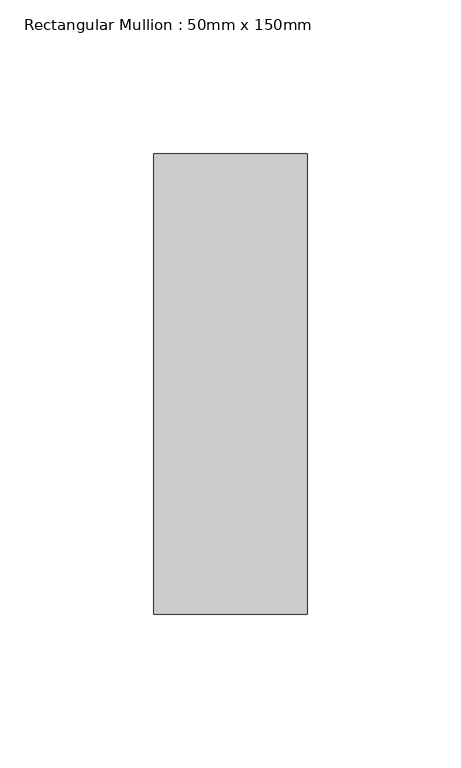
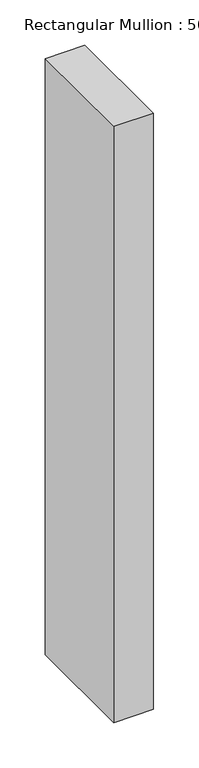
"""IFC4 building model written with IfcOpenShell, lengths in millimetres: member geometry, Rectangular Mullion : 50mm x 150mm."""

from ifc_helpers import new_model, si_unit, frame, origin, place, context, project, spatial, polyline, outline, extrude, source, transform, mapped, element, save


def rectangular_mullion_50mm_x_150mm_14f10ac7(model_context):
    return source(origin(), model_context, "Body", "SweptSolid", [
        extrude(outline(polyline([(25.0, 75.0), (25.0, -75.0), (-25.0, -75.0), (-25.0, 75.0), (25.0, 75.0)])), frame((0.0, 0.0, -800.0), z_axis=(0.0, 0.0, 1.0), x_axis=(1.0, 0.0, 0.0)), (0.0, 0.0, 1.0), 800.0),
    ])


if __name__ == "__main__":
    model = new_model("IFC4")
    model_context = context("Model", 3, world=origin())
    ifc_project = project(units=[si_unit("LENGTHUNIT", "METRE", prefix="MILLI")], contexts=[model_context])
    site = spatial("IfcSite", under=ifc_project)
    building = spatial("IfcBuilding", under=site)
    placement = place(None, origin())
    rectangular_mullion_50mm_x_150mm_shape = rectangular_mullion_50mm_x_150mm_14f10ac7(model_context)
    element("IfcMember", 1, ObjectType="Rectangular Mullion : 50mm x 150mm", at=placement, inside=building, context=model_context, shape_type="MappedRepresentation", body=[
        mapped(rectangular_mullion_50mm_x_150mm_shape, transform((0.0, 0.0, 0.0), x_axis=(1.0, 0.0, 0.0), y_axis=(0.0, 1.0, 0.0), z_axis=(0.0, 0.0, 1.0))),
    ])
    save(model, "model.ifc")
